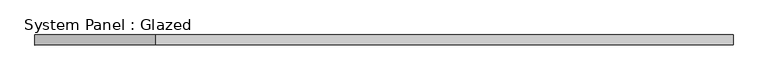
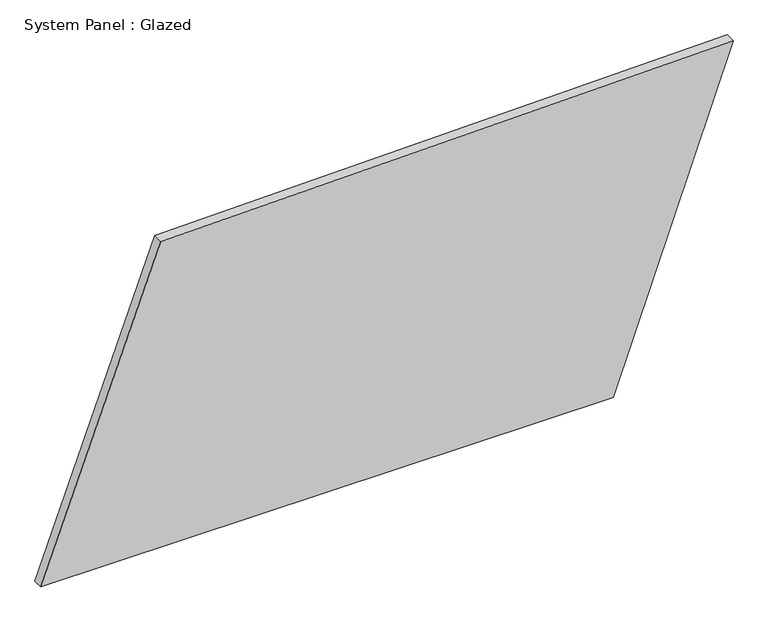
"""IFC4 building model written with IfcOpenShell, lengths in millimetres: plate geometry, System Panel : Glazed."""

from ifc_helpers import new_model, si_unit, frame, origin, place, context, project, spatial, polyline, outline, extrude, source, transform, mapped, element, save


def system_panel_glazed_8834cf68(model_context):
    return source(origin(), model_context, "Body", "SweptSolid", [
        extrude(outline(polyline([(0.0, -868.2614164), (0.0, 567.7233507), (841.6745871, 868.2614164), (811.3475941, -567.2066189), (0.0, -868.2614164)])), frame((0.0, -49.5, 0.0), z_axis=(0.0, 1.0, 0.0), x_axis=(0.0, 0.0, 1.0)), (0.0, 0.0, 1.0), 25.0),
    ])


if __name__ == "__main__":
    model = new_model("IFC4")
    model_context = context("Model", 3, world=origin())
    ifc_project = project(units=[si_unit("LENGTHUNIT", "METRE", prefix="MILLI")], contexts=[model_context])
    site = spatial("IfcSite", under=ifc_project)
    building = spatial("IfcBuilding", under=site)
    placement = place(None, origin())
    system_panel_glazed_shape = system_panel_glazed_8834cf68(model_context)
    element("IfcPlate", 1, ObjectType="System Panel : Glazed", at=placement, inside=building, context=model_context, shape_type="MappedRepresentation", body=[
        mapped(system_panel_glazed_shape, transform((0.0, 0.0, 0.0), x_axis=(1.0, 0.0, 0.0), y_axis=(0.0, 1.0, 0.0), z_axis=(0.0, 0.0, 1.0))),
    ])
    save(model, "model.ifc")
